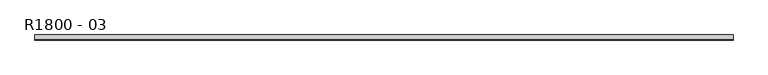
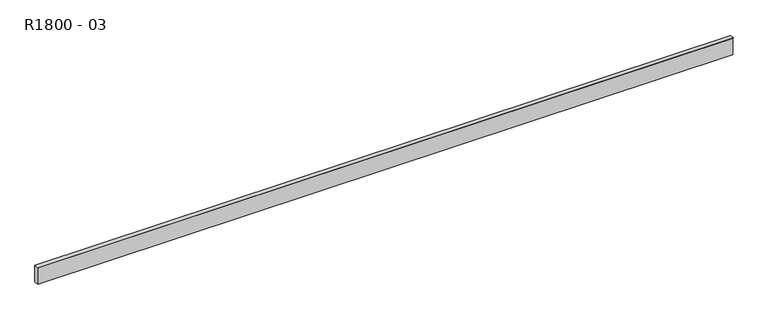
"""IFC4 building model written with IfcOpenShell, lengths in millimetres: proxy geometry, R1800 - 03."""

from ifc_helpers import new_model, si_unit, origin, place, context, project, spatial, faceted_brep, source, transform, mapped, element, save


def r1800_03_a2563ab1(model_context):
    return source(origin(), model_context, "Body", "Brep", [
        faceted_brep([(-818.5, -10.0, 20.7747948), (818.5, -10.0, 20.7747948), (818.5, -11.0199437, 20.921771), (-818.5, -11.0199437, 20.921771), (818.5, 1.0, -20.5), (818.5, -1.0, -20.5), (818.5, -10.0, -20.5), (-818.5, -10.0, -20.5), (-818.5, -1.0, -20.5), (-818.5, 1.0, -20.5), (-818.5, 1.0, 20.2), (-818.5, -0.7147421, 20.4470981), (-818.5, -10.8773148, 21.9115472), (818.5, -10.8773148, 21.9115472), (818.5, -0.7147421, 20.4470981), (818.5, 1.0, 20.2), (-818.5, 1.0, 18.4675457), (818.5, 1.0, 18.4675457), (818.5, 1.0, -18.5), (-818.5, 1.0, -18.5)], [[[0, 1, 2, 3]], [[4, 5, 6, 7, 8, 9]], [[10, 11, 12, 13, 14, 15]], [[16, 10, 15, 17, 18, 4, 9, 19]], [[8, 7, 0, 3, 12, 11, 10, 16, 19, 9]], [[7, 6, 1, 0]], [[14, 13, 2, 1, 6, 5, 4, 18, 17, 15]], [[13, 12, 3, 2]]]),
    ])


if __name__ == "__main__":
    model = new_model("IFC4")
    model_context = context("Model", 3, world=origin())
    ifc_project = project(units=[si_unit("LENGTHUNIT", "METRE", prefix="MILLI")], contexts=[model_context])
    site = spatial("IfcSite", under=ifc_project)
    building = spatial("IfcBuilding", under=site)
    placement = place(None, origin())
    r1800_03_shape = r1800_03_a2563ab1(model_context)
    element("IfcBuildingElementProxy", 1, Name="R1800 - 03", ObjectType="R1800 - 03", at=placement, inside=building, context=model_context, shape_type="MappedRepresentation", body=[
        mapped(r1800_03_shape, transform((0.0, 0.0, 0.0), x_axis=(1.0, 0.0, 0.0), y_axis=(0.0, 1.0, 0.0), z_axis=(0.0, 0.0, 1.0))),
    ])
    save(model, "model.ifc")
